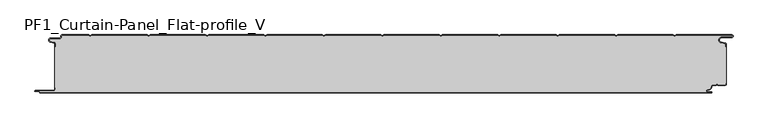
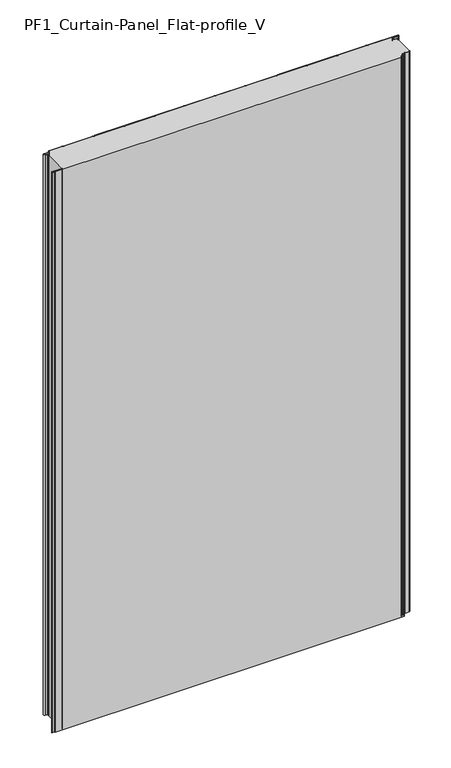
"""IFC4 building model written with IfcOpenShell, lengths in millimetres: plate geometry, PF1_Curtain-Panel_Flat-profile_V."""

import ifcopenshell
import ifcopenshell.guid

model = None  # the IFC model being written
_history = None  # IfcOwnerHistory: only IFC2X3 demands one
_inside = {}  # id of a spatial element -> (the spatial element, [elements in it])
_under = {}  # id of a project, library or spatial element -> (it, [spatial elements below it])
_declared = {}  # id of a project -> (the project, [libraries it declares])
_typed = {}  # id of a type object -> (the type object, [elements of that type])
_made_of = {}  # id of a material, layer set ... -> (it, [elements and type objects made of it])


def new_model(schema):
    """Start an empty IFC model of exactly this schema.

    Asked for "IFC4X3", IfcOpenShell would pick the latest addendum, in which some entities
    have other attributes; the version numbers below select the first issue.
    IFC2X3 requires an IfcOwnerHistory on every rooted entity: one is made here for all.
    """
    global model, _history
    if schema == "IFC4X3":
        model = ifcopenshell.file(schema_version=(4, 3, 0, 0))
    else:
        model = ifcopenshell.file(schema=schema)
    _inside.clear()
    _under.clear()
    _declared.clear()
    _typed.clear()
    _made_of.clear()
    _history = None
    if model.schema == "IFC2X3":
        org = make("IfcOrganization", Name="unknown")
        user = make(
            "IfcPersonAndOrganization",
            ThePerson=make("IfcPerson", FamilyName="unknown"),
            TheOrganization=org,
        )
        app = make(
            "IfcApplication",
            ApplicationDeveloper=org,
            Version="unknown",
            ApplicationFullName="unknown",
            ApplicationIdentifier="unknown",
        )
        _history = make(
            "IfcOwnerHistory",
            OwningUser=user,
            OwningApplication=app,
            ChangeAction="ADDED",
            CreationDate=0,
        )
    return model


def make(cls, **values):
    """One entity of the class cls with the attributes given. An attribute that is None is left unset."""
    return model.create_entity(
        cls, **{name: value for name, value in values.items() if value is not None}
    )


def rooted(cls, **values):
    """An entity with a GlobalId (a new one), such as an element, a storey or a relation."""
    return make(cls, GlobalId=ifcopenshell.guid.new(), OwnerHistory=_history, **values)


def si_unit(unit_type, name, prefix=None):
    """IfcSIUnit, for example si_unit("LENGTHUNIT", "METRE", prefix="MILLI")."""
    return make("IfcSIUnit", UnitType=unit_type, Prefix=prefix, Name=name)


def assignment(units):
    """IfcUnitAssignment: the units of a project."""
    return None if units is None else make("IfcUnitAssignment", Units=units)


def point(xyz):
    """IfcCartesianPoint."""
    return None if xyz is None else make("IfcCartesianPoint", Coordinates=xyz)


def direction(xyz):
    """IfcDirection."""
    return None if xyz is None else make("IfcDirection", DirectionRatios=xyz)


def frame(location, z_axis=None, x_axis=None):
    """IfcAxis2Placement3D, a coordinate frame: its origin and axes. An axis left out is left unset."""
    return make(
        "IfcAxis2Placement3D",
        Location=point(location),
        Axis=direction(z_axis),
        RefDirection=direction(x_axis),
    )


def frame_2d(location, x_axis=None):
    """IfcAxis2Placement2D, a coordinate frame in the plane: its origin and x axis."""
    return make(
        "IfcAxis2Placement2D", Location=point(location), RefDirection=direction(x_axis)
    )


def origin():
    """The frame at (0, 0, 0) with its axes left unset."""
    return frame((0.0, 0.0, 0.0))


def origin_with_axes():
    """The frame at (0, 0, 0) with the z axis (0, 0, 1) and the x axis (1, 0, 0) written out."""
    return frame((0.0, 0.0, 0.0), z_axis=(0.0, 0.0, 1.0), x_axis=(1.0, 0.0, 0.0))


def place(relative_to, where):
    """IfcLocalPlacement: puts the frame where relative to a parent placement (None: the world)."""
    return make(
        "IfcLocalPlacement", PlacementRelTo=relative_to, RelativePlacement=where
    )


def context(
    kind, dimensions, precision=None, world=None, true_north=None, identifier=None
):
    """IfcGeometricRepresentationContext, for example the 3D "Model" context."""
    return make(
        "IfcGeometricRepresentationContext",
        ContextIdentifier=identifier,
        ContextType=kind,
        CoordinateSpaceDimension=dimensions,
        Precision=precision,
        WorldCoordinateSystem=world,
        TrueNorth=true_north,
    )


def project(units=None, contexts=None):
    """IfcProject with its units and contexts."""
    return rooted(
        "IfcProject",
        Name="project",
        RepresentationContexts=contexts,
        UnitsInContext=assignment(units),
    )


def spatial(cls, under=None, at=None, **own):
    """A site, building, storey or space (cls), placed at a placement, below another one or the project."""
    s = rooted(cls, ObjectPlacement=at, **own)
    if under is not None:
        _under.setdefault(under.id(), (under, []))[1].append(s)
    return s


def polyline(points):
    """IfcPolyline through the points."""
    return make("IfcPolyline", Points=[point(p) for p in points])


def circle_curve(where, radius):
    """IfcCircle in the frame where."""
    return make("IfcCircle", Position=where, Radius=radius)


def trimmed(basis, trim1, trim2, sense, master):
    """IfcTrimmedCurve: the piece of a basis curve between two trims."""
    return make(
        "IfcTrimmedCurve",
        BasisCurve=basis,
        Trim1=trim1,
        Trim2=trim2,
        SenseAgreement=sense,
        MasterRepresentation=master,
    )


def segment(curve, same_sense, transition):
    """IfcCompositeCurveSegment."""
    return make(
        "IfcCompositeCurveSegment",
        Transition=transition,
        SameSense=same_sense,
        ParentCurve=curve,
    )


def composite_curve(segments, self_intersect=None):
    """IfcCompositeCurve: segments joined end to end."""
    return make("IfcCompositeCurve", Segments=segments, SelfIntersect=self_intersect)


def outline(outer, holes=None, kind="AREA"):
    """IfcArbitraryClosedProfileDef: a profile drawn as a closed curve; with holes, ...WithVoids."""
    if holes is None:
        return make("IfcArbitraryClosedProfileDef", ProfileType=kind, OuterCurve=outer)
    return make(
        "IfcArbitraryProfileDefWithVoids",
        ProfileType=kind,
        OuterCurve=outer,
        InnerCurves=holes,
    )


def extrude(swept, where, along, depth):
    """IfcExtrudedAreaSolid: the profile swept, set in the frame where, extruded along a direction by depth."""
    return make(
        "IfcExtrudedAreaSolid",
        SweptArea=swept,
        Position=where,
        ExtrudedDirection=direction(along),
        Depth=depth,
    )


def shape(context_of_items, identifier, shape_type, items):
    """IfcShapeRepresentation: the items that make up one representation, for example the "Body"."""
    return make(
        "IfcShapeRepresentation",
        ContextOfItems=context_of_items,
        RepresentationIdentifier=identifier,
        RepresentationType=shape_type,
        Items=items,
    )


def source(mapping_origin, context_of_items, identifier, shape_type, items):
    """IfcRepresentationMap: a shape defined once, which mapped items show again and again."""
    return make(
        "IfcRepresentationMap",
        MappingOrigin=mapping_origin,
        MappedRepresentation=shape(context_of_items, identifier, shape_type, items),
    )


def transform(
    local_origin,
    x_axis=None,
    y_axis=None,
    z_axis=None,
    scale=None,
    scale2=None,
    scale3=None,
    uniform=True,
):
    """IfcCartesianTransformationOperator3D, or its non-uniform kind. x_axis, y_axis, z_axis: its Axis1, 2, 3."""
    if uniform:
        return make(
            "IfcCartesianTransformationOperator3D",
            Axis1=direction(x_axis),
            Axis2=direction(y_axis),
            LocalOrigin=point(local_origin),
            Scale=scale,
            Axis3=direction(z_axis),
        )
    return make(
        "IfcCartesianTransformationOperator3DnonUniform",
        Axis1=direction(x_axis),
        Axis2=direction(y_axis),
        LocalOrigin=point(local_origin),
        Scale=scale,
        Axis3=direction(z_axis),
        Scale2=scale2,
        Scale3=scale3,
    )


def mapped(mapping_source, mapping_target):
    """IfcMappedItem: shows the shape of a source again, moved by a transform."""
    return make(
        "IfcMappedItem", MappingSource=mapping_source, MappingTarget=mapping_target
    )


def made_of(thing, what):
    """Note that an element or type object is made of a material, layer set ...; save() writes the relation."""
    if what is not None:
        _made_of.setdefault(what.id(), (what, []))[1].append(thing)
    return thing


def element(
    cls,
    number,
    at=None,
    inside=None,
    cuts=None,
    type_object=None,
    material=None,
    context=None,
    identifier="Body",
    shape_type=None,
    held_by="IfcProductDefinitionShape",
    body=None,
    shapes=None,
    **own,
):
    """One element of the class cls, such as IfcWall. Its Tag is "e" and its number.

    at: its placement. inside: the storey or other place that contains it. cuts: it is an
    opening in that element (IfcRelVoidsElement). A single representation is given by context,
    identifier, shape_type and body (its items); several are given by shapes. held_by: the class
    of the entity that holds the representations. save() writes the other relations.
    """
    e = rooted(cls, Tag="e%d" % number, ObjectPlacement=at, **own)
    if body is not None:
        shapes = [shape(context, identifier, shape_type, body)]
    if shapes is not None:
        e.Representation = make(held_by, Representations=shapes)
    if inside is not None:
        _inside.setdefault(inside.id(), (inside, []))[1].append(e)
    if cuts is not None:
        rooted(
            "IfcRelVoidsElement", RelatingBuildingElement=cuts, RelatedOpeningElement=e
        )
    if type_object is not None:
        _typed.setdefault(type_object.id(), (type_object, []))[1].append(e)
    return made_of(e, material)


def aggregate(whole, parts):
    """IfcRelAggregates: a whole, such as a stair, and the parts it consists of."""
    return rooted("IfcRelAggregates", RelatingObject=whole, RelatedObjects=parts)


def save(model, path):
    """Write the relations noted so far, then the file.

    IfcRelAggregates (storeys below a building ...), IfcRelContainedInSpatialStructure (elements
    in a storey), IfcRelDefinesByType, IfcRelAssociatesMaterial and IfcRelDeclares: one each for
    every whole, place, type object, material and project.
    """
    for whole, parts in _under.values():
        aggregate(whole, parts)
    for where, things in _inside.values():
        rooted(
            "IfcRelContainedInSpatialStructure",
            RelatedElements=things,
            RelatingStructure=where,
        )
    for kind, things in _typed.values():
        rooted("IfcRelDefinesByType", RelatedObjects=things, RelatingType=kind)
    for what, things in _made_of.values():
        rooted("IfcRelAssociatesMaterial", RelatedObjects=things, RelatingMaterial=what)
    for by, libraries in _declared.values():
        rooted("IfcRelDeclares", RelatingContext=by, RelatedDefinitions=libraries)
    model.write(path)


def pf1_curtain_panel_flat_profile_v_0079baf9(model_context):
    return source(origin(), model_context, "Body", "SweptSolid", [
        extrude(outline(composite_curve([segment(trimmed(circle_curve(frame_2d((-577.0, -15.878557)), 2.0), [point((-575.0, -15.878557))], [point((-576.5500978, -13.9298169))], True, "CARTESIAN"), True, "CONTINUOUS"), segment(polyline([(-576.5500978, -13.9298169), (-582.7098239, -12.507732)]), True, "CONTINUOUS"), segment(trimmed(circle_curve(frame_2d((-581.9, -9.0)), 3.6), [point((-582.7098239, -12.507732))], [point((-581.9, -5.4))], False, "CARTESIAN"), True, "CONTINUOUS"), segment(polyline([(-581.9, -5.4), (-566.4, -5.4)]), True, "CONTINUOUS"), segment(trimmed(circle_curve(frame_2d((-566.4, -3.4)), 2.0), [point((-566.4, -5.4))], [point((-564.4, -3.4))], True, "CARTESIAN"), True, "CONTINUOUS"), segment(polyline([(-564.4, -3.4), (-564.4, -2.0)]), True, "CONTINUOUS"), segment(trimmed(circle_curve(frame_2d((-562.4, -2.0)), 2.0), [point((-564.4, -2.0))], [point((-562.4, 0.0))], False, "CARTESIAN"), True, "CONTINUOUS"), segment(polyline([(-562.4, 0.0), (-517.0999995, 0.0), (-514.4, -1.5588455), (-511.7000005, 0.0), (-417.0999995, 0.0), (-414.4, -1.5588455), (-411.7000005, 0.0), (-317.0999995, 0.0), (-314.4, -1.5588455), (-311.7000005, 0.0), (-217.0999995, 0.0), (-214.4, -1.5588455), (-211.7000005, 0.0), (-117.0999995, 0.0), (-114.4, -1.5588455), (-111.7000005, 0.0), (-17.0999995, 0.0), (-14.4, -1.5588455), (-11.7000005, 0.0), (82.9000005, 0.0), (85.6, -1.5588455), (88.2999995, 0.0), (182.9000005, 0.0), (185.6, -1.5588455), (188.2999995, 0.0), (282.9000005, 0.0), (285.6, -1.5588455), (288.2999995, 0.0), (382.9000005, 0.0), (385.6, -1.5588455), (388.2999995, 0.0), (482.9000005, 0.0), (485.6, -1.5588455), (488.2999995, 0.0), (583.268846, 0.0)]), True, "CONTINUOUS"), segment(trimmed(circle_curve(frame_2d((583.268846, -2.5)), 2.5), [point((583.268846, 0.0))], [point((583.268846, -5.0))], False, "CARTESIAN"), True, "CONTINUOUS"), segment(polyline([(583.268846, -5.0), (566.268846, -5.0)]), True, "CONTINUOUS"), segment(trimmed(circle_curve(frame_2d((566.268846, -9.0)), 4.0), [point((566.268846, -5.0))], [point((565.574253, -12.939231))], True, "CARTESIAN"), True, "CONTINUOUS"), segment(polyline([(565.574253, -12.939231), (572.0203315, -14.0758491)]), True, "CONTINUOUS"), segment(trimmed(circle_curve(frame_2d((571.568846, -16.6363492)), 2.6), [point((572.0203315, -14.0758491))], [point((574.168846, -16.6363492))], False, "CARTESIAN"), True, "CONTINUOUS"), segment(polyline([(574.168846, -16.6363492), (574.168846, -20.0), (573.368846, -20.0), (573.368846, -16.6363492)]), True, "CONTINUOUS"), segment(trimmed(circle_curve(frame_2d((571.568846, -16.6363492)), 1.8), [point((573.368846, -16.6363492))], [point((571.8814129, -14.8636953))], True, "CARTESIAN"), True, "CONTINUOUS"), segment(polyline([(571.8814129, -14.8636953), (565.4353344, -13.7270772)]), True, "CONTINUOUS"), segment(trimmed(circle_curve(frame_2d((566.268846, -9.0)), 4.8), [point((565.4353344, -13.7270772))], [point((566.268846, -4.2))], False, "CARTESIAN"), True, "CONTINUOUS"), segment(polyline([(566.268846, -4.2), (583.268846, -4.2)]), True, "CONTINUOUS"), segment(trimmed(circle_curve(frame_2d((583.268846, -2.5)), 1.7), [point((583.268846, -4.2))], [point((583.268846, -0.8))], True, "CARTESIAN"), True, "CONTINUOUS"), segment(polyline([(583.268846, -0.8), (488.5143588, -0.8), (485.6, -2.482606), (482.6856412, -0.8), (388.5143588, -0.8), (385.6, -2.482606), (382.6856412, -0.8), (288.5143588, -0.8), (285.6, -2.482606), (282.6856412, -0.8), (188.5143588, -0.8), (185.6, -2.482606), (182.6856412, -0.8), (88.5143588, -0.8), (85.6, -2.482606), (82.6856412, -0.8), (-11.4856412, -0.8), (-14.4, -2.482606), (-17.3143588, -0.8), (-111.4856412, -0.8), (-114.4, -2.482606), (-117.3143588, -0.8), (-211.4856412, -0.8), (-214.4, -2.482606), (-217.3143588, -0.8), (-311.4856412, -0.8), (-314.4, -2.482606), (-317.3143588, -0.8), (-411.4856412, -0.8), (-414.4, -2.482606), (-417.3143588, -0.8), (-511.4856412, -0.8), (-514.4, -2.482606), (-517.3143588, -0.8), (-562.4, -0.8)]), True, "CONTINUOUS"), segment(trimmed(circle_curve(frame_2d((-562.4, -2.0)), 1.2), [point((-562.4, -0.8))], [point((-563.6, -2.0))], True, "CARTESIAN"), True, "CONTINUOUS"), segment(polyline([(-563.6, -2.0), (-563.6, -3.4)]), True, "CONTINUOUS"), segment(trimmed(circle_curve(frame_2d((-566.4, -3.4)), 2.8), [point((-563.6, -3.4))], [point((-566.4, -6.2))], False, "CARTESIAN"), True, "CONTINUOUS"), segment(polyline([(-566.4, -6.2), (-581.9, -6.2)]), True, "CONTINUOUS"), segment(trimmed(circle_curve(frame_2d((-581.9, -9.0)), 2.8), [point((-581.9, -6.2))], [point((-582.529863, -11.7282362))], True, "CARTESIAN"), True, "CONTINUOUS"), segment(polyline([(-582.529863, -11.7282362), (-576.370137, -13.150321)]), True, "CONTINUOUS"), segment(trimmed(circle_curve(frame_2d((-577.0, -15.878557)), 2.8), [point((-576.370137, -13.150321))], [point((-574.2, -15.878557))], False, "CARTESIAN"), True, "CONTINUOUS"), segment(polyline([(-574.2, -15.878557), (-574.2, -20.0), (-575.0, -20.0), (-575.0, -15.878557)]), True, "CONTINUOUS")], self_intersect=False)), origin_with_axes(), (0.0, 0.0, 1.0), 1945.7507136),
        extrude(outline(composite_curve([segment(polyline([(-574.2, -90.0), (-575.0, -90.0), (-575.0, -20.0), (-574.2, -20.0), (-574.2, -15.878557)]), True, "CONTINUOUS"), segment(trimmed(circle_curve(frame_2d((-577.0, -15.878557)), 2.8), [point((-574.2, -15.878557))], [point((-576.370137, -13.1503208))], True, "CARTESIAN"), True, "CONTINUOUS"), segment(polyline([(-576.370137, -13.1503208), (-582.529863, -11.7282362)]), True, "CONTINUOUS"), segment(trimmed(circle_curve(frame_2d((-581.9, -9.0)), 2.8), [point((-582.529863, -11.7282362))], [point((-581.9, -6.2))], False, "CARTESIAN"), True, "CONTINUOUS"), segment(polyline([(-581.9, -6.2), (-566.4, -6.2)]), True, "CONTINUOUS"), segment(trimmed(circle_curve(frame_2d((-566.4, -3.4)), 2.8), [point((-566.4, -6.2))], [point((-563.6, -3.4))], True, "CARTESIAN"), True, "CONTINUOUS"), segment(polyline([(-563.6, -3.4), (-563.6, -2.0)]), True, "CONTINUOUS"), segment(trimmed(circle_curve(frame_2d((-562.4, -2.0)), 1.2), [point((-563.6, -2.0))], [point((-562.4, -0.8))], False, "CARTESIAN"), True, "CONTINUOUS"), segment(polyline([(-562.4, -0.8), (-517.3143588, -0.8), (-514.4, -2.482606), (-511.4856412, -0.8), (-417.3143588, -0.8), (-414.4, -2.482606), (-411.4856412, -0.8), (-317.3143588, -0.8), (-314.4, -2.482606), (-311.4856412, -0.8), (-217.3143588, -0.8), (-214.4, -2.482606), (-211.4856412, -0.8), (-117.3143588, -0.8), (-114.4, -2.482606), (-111.4856412, -0.8), (-17.3143588, -0.8), (-14.4, -2.482606), (-11.4856412, -0.8), (82.6856412, -0.8), (85.6, -2.482606), (88.5143588, -0.8), (182.6856412, -0.8), (185.6, -2.482606), (188.5143588, -0.8), (282.6856412, -0.8), (285.6, -2.482606), (288.5143588, -0.8), (382.6856412, -0.8), (385.6, -2.482606), (388.5143588, -0.8), (482.6856412, -0.8), (485.6, -2.482606), (488.5143588, -0.8), (583.268846, -0.8)]), True, "CONTINUOUS"), segment(trimmed(circle_curve(frame_2d((583.268846, -2.5)), 1.7), [point((583.268846, -0.8))], [point((583.268846, -4.2))], False, "CARTESIAN"), True, "CONTINUOUS"), segment(polyline([(583.268846, -4.2), (566.268846, -4.2)]), True, "CONTINUOUS"), segment(trimmed(circle_curve(frame_2d((566.268846, -9.0)), 4.8), [point((566.268846, -4.2))], [point((565.4353344, -13.7270772))], True, "CARTESIAN"), True, "CONTINUOUS"), segment(polyline([(565.4353344, -13.7270772), (571.8814129, -14.8636953)]), True, "CONTINUOUS"), segment(trimmed(circle_curve(frame_2d((571.568846, -16.6363492)), 1.8), [point((571.8814129, -14.8636953))], [point((573.368846, -16.6363492))], False, "CARTESIAN"), True, "CONTINUOUS"), segment(polyline([(573.368846, -16.6363492), (573.368846, -20.0), (574.168846, -20.0), (574.168846, -83.0), (573.368846, -83.0), (573.368846, -84.4)]), True, "CONTINUOUS"), segment(trimmed(circle_curve(frame_2d((571.568846, -84.4)), 1.8), [point((573.368846, -84.4))], [point((571.568846, -86.2))], False, "CARTESIAN"), True, "CONTINUOUS"), segment(polyline([(571.568846, -86.2), (560.0002158, -86.2), (558.168846, -84.3686285), (556.3374762, -86.2), (550.168846, -86.2)]), True, "CONTINUOUS"), segment(trimmed(circle_curve(frame_2d((550.168846, -88.0)), 1.8), [point((550.168846, -86.2))], [point((548.368846, -88.0))], True, "CARTESIAN"), True, "CONTINUOUS"), segment(polyline([(548.368846, -88.0), (548.368846, -88.8276204)]), True, "CONTINUOUS"), segment(trimmed(circle_curve(frame_2d((542.9964664, -88.8276204)), 5.3723796), [point((548.368846, -88.8276204))], [point((542.9964664, -94.2))], False, "CARTESIAN"), True, "CONTINUOUS"), segment(polyline([(542.9964664, -94.2), (542.168846, -94.2)]), True, "CONTINUOUS"), segment(trimmed(circle_curve(frame_2d((542.168846, -96.4)), 2.2), [point((542.168846, -94.2))], [point((542.168846, -98.6))], True, "CARTESIAN"), True, "CONTINUOUS"), segment(polyline([(542.168846, -98.6), (548.0579973, -98.6)]), True, "CONTINUOUS"), segment(trimmed(circle_curve(frame_2d((548.0579973, -98.9)), 0.3), [point((548.0579973, -98.6))], [point((548.0579973, -99.2))], False, "CARTESIAN"), True, "CONTINUOUS"), segment(polyline([(548.0579973, -99.2), (-599.4, -99.2)]), True, "CONTINUOUS"), segment(trimmed(circle_curve(frame_2d((-599.4, -98.4)), 0.8), [point((-599.4, -99.2))], [point((-600.2, -98.4))], False, "CARTESIAN"), True, "CONTINUOUS"), segment(trimmed(circle_curve(frame_2d((-601.9, -98.6133333)), 1.7133333), [point((-600.2, -98.4))], [point((-601.9, -96.9))], True, "CARTESIAN"), True, "CONTINUOUS"), segment(polyline([(-601.9, -96.9), (-607.8700312, -96.9)]), True, "CONTINUOUS"), segment(trimmed(circle_curve(frame_2d((-607.8700312, -96.6)), 0.3), [point((-607.8700312, -96.9))], [point((-607.8700312, -96.3))], False, "CARTESIAN"), True, "CONTINUOUS"), segment(polyline([(-607.8700312, -96.3), (-577.0, -96.3)]), True, "CONTINUOUS"), segment(trimmed(circle_curve(frame_2d((-577.0, -93.5)), 2.8), [point((-577.0, -96.3))], [point((-574.2, -93.5))], True, "CARTESIAN"), True, "CONTINUOUS"), segment(polyline([(-574.2, -93.5), (-574.2, -90.0)]), True, "CONTINUOUS")], self_intersect=False)), origin_with_axes(), (0.0, 0.0, 1.0), 1945.7507136),
        extrude(outline(composite_curve([segment(polyline([(-575.0, -90.0), (-574.2, -90.0), (-574.2, -93.5)]), True, "CONTINUOUS"), segment(trimmed(circle_curve(frame_2d((-577.0, -93.5)), 2.8), [point((-574.2, -93.5))], [point((-577.0, -96.3))], False, "CARTESIAN"), True, "CONTINUOUS"), segment(polyline([(-577.0, -96.3), (-607.8700312, -96.3)]), True, "CONTINUOUS"), segment(trimmed(circle_curve(frame_2d((-607.8700312, -96.6)), 0.3), [point((-607.8700312, -96.3))], [point((-607.8700312, -96.9))], True, "CARTESIAN"), True, "CONTINUOUS"), segment(polyline([(-607.8700312, -96.9), (-601.9, -96.9)]), True, "CONTINUOUS"), segment(trimmed(circle_curve(frame_2d((-601.9, -98.6133333)), 1.7133333), [point((-601.9, -96.9))], [point((-600.2, -98.4))], False, "CARTESIAN"), True, "CONTINUOUS"), segment(trimmed(circle_curve(frame_2d((-599.4, -98.4)), 0.8), [point((-600.2, -98.4))], [point((-599.4, -99.2))], True, "CARTESIAN"), True, "CONTINUOUS"), segment(polyline([(-599.4, -99.2), (548.0579973, -99.2)]), True, "CONTINUOUS"), segment(trimmed(circle_curve(frame_2d((548.0579973, -98.9)), 0.3), [point((548.0579973, -99.2))], [point((548.0579973, -98.6))], True, "CARTESIAN"), True, "CONTINUOUS"), segment(polyline([(548.0579973, -98.6), (542.168846, -98.6)]), True, "CONTINUOUS"), segment(trimmed(circle_curve(frame_2d((542.168846, -96.4)), 2.2), [point((542.168846, -98.6))], [point((542.168846, -94.2))], False, "CARTESIAN"), True, "CONTINUOUS"), segment(polyline([(542.168846, -94.2), (542.9964664, -94.2)]), True, "CONTINUOUS"), segment(trimmed(circle_curve(frame_2d((542.9964664, -88.8276204)), 5.3723796), [point((542.9964664, -94.2))], [point((548.368846, -88.8276204))], True, "CARTESIAN"), True, "CONTINUOUS"), segment(polyline([(548.368846, -88.8276204), (548.368846, -88.0)]), True, "CONTINUOUS"), segment(trimmed(circle_curve(frame_2d((550.168846, -88.0)), 1.8), [point((548.368846, -88.0))], [point((550.168846, -86.2))], False, "CARTESIAN"), True, "CONTINUOUS"), segment(polyline([(550.168846, -86.2), (556.3374762, -86.2), (558.168846, -84.3686285), (560.0002158, -86.2), (571.568846, -86.2)]), True, "CONTINUOUS"), segment(trimmed(circle_curve(frame_2d((571.568846, -84.4)), 1.8), [point((571.568846, -86.2))], [point((573.368846, -84.4))], True, "CARTESIAN"), True, "CONTINUOUS"), segment(polyline([(573.368846, -84.4), (573.368846, -83.0), (574.168846, -83.0), (574.168846, -84.4)]), True, "CONTINUOUS"), segment(trimmed(circle_curve(frame_2d((571.568846, -84.4)), 2.6), [point((574.168846, -84.4))], [point((571.568846, -87.0))], False, "CARTESIAN"), True, "CONTINUOUS"), segment(polyline([(571.568846, -87.0), (559.6688448, -87.0), (558.168846, -85.4999999), (556.6688472, -87.0), (550.168846, -87.0)]), True, "CONTINUOUS"), segment(trimmed(circle_curve(frame_2d((550.168846, -88.0)), 1.0), [point((550.168846, -87.0))], [point((549.168846, -88.0))], True, "CARTESIAN"), True, "CONTINUOUS"), segment(polyline([(549.168846, -88.0), (549.168846, -88.8276204)]), True, "CONTINUOUS"), segment(trimmed(circle_curve(frame_2d((542.9964664, -88.8276204)), 6.1723796), [point((549.168846, -88.8276204))], [point((542.9964664, -95.0))], False, "CARTESIAN"), True, "CONTINUOUS"), segment(polyline([(542.9964664, -95.0), (542.168846, -95.0)]), True, "CONTINUOUS"), segment(trimmed(circle_curve(frame_2d((542.168846, -96.5)), 1.5), [point((542.168846, -95.0))], [point((542.168846, -98.0))], True, "CARTESIAN"), True, "CONTINUOUS"), segment(polyline([(542.168846, -98.0), (548.168846, -98.0)]), True, "CONTINUOUS"), segment(trimmed(circle_curve(frame_2d((548.168846, -99.0)), 1.0), [point((548.168846, -98.0))], [point((548.168846, -100.0))], False, "CARTESIAN"), True, "CONTINUOUS"), segment(polyline([(548.168846, -100.0), (-599.4, -100.0)]), True, "CONTINUOUS"), segment(trimmed(circle_curve(frame_2d((-599.4, -98.4)), 1.6), [point((-599.4, -100.0))], [point((-601.0, -98.4))], False, "CARTESIAN"), True, "CONTINUOUS"), segment(trimmed(circle_curve(frame_2d((-601.9, -98.4)), 0.9), [point((-601.0, -98.4))], [point((-601.9, -97.5))], True, "CARTESIAN"), True, "CONTINUOUS"), segment(polyline([(-601.9, -97.5), (-608.0, -97.5)]), True, "CONTINUOUS"), segment(trimmed(circle_curve(frame_2d((-608.0, -96.5)), 1.0), [point((-608.0, -97.5))], [point((-608.0, -95.5))], False, "CARTESIAN"), True, "CONTINUOUS"), segment(polyline([(-608.0, -95.5), (-577.0, -95.5)]), True, "CONTINUOUS"), segment(trimmed(circle_curve(frame_2d((-577.0, -93.5)), 2.0), [point((-577.0, -95.5))], [point((-575.0, -93.5))], True, "CARTESIAN"), True, "CONTINUOUS"), segment(polyline([(-575.0, -93.5), (-575.0, -90.0)]), True, "CONTINUOUS")], self_intersect=False)), origin_with_axes(), (0.0, 0.0, 1.0), 1945.7507136),
    ])


if __name__ == "__main__":
    model = new_model("IFC4")
    model_context = context("Model", 3, world=origin())
    ifc_project = project(units=[si_unit("LENGTHUNIT", "METRE", prefix="MILLI")], contexts=[model_context])
    site = spatial("IfcSite", under=ifc_project)
    building = spatial("IfcBuilding", under=site)
    placement = place(None, origin())
    pf1_curtain_panel_flat_profile_v_shape = pf1_curtain_panel_flat_profile_v_0079baf9(model_context)
    element("IfcPlate", 1, ObjectType="PF1_Curtain-Panel_Flat-profile_V", at=placement, inside=building, context=model_context, shape_type="MappedRepresentation", body=[
        mapped(pf1_curtain_panel_flat_profile_v_shape, transform((0.0, 0.0, 0.0), x_axis=(1.0, 0.0, 0.0), y_axis=(0.0, 1.0, 0.0), z_axis=(0.0, 0.0, 1.0))),
    ])
    save(model, "model.ifc")
